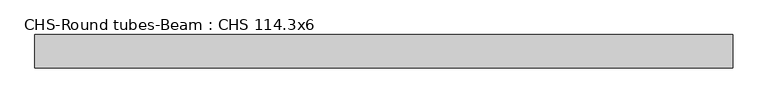
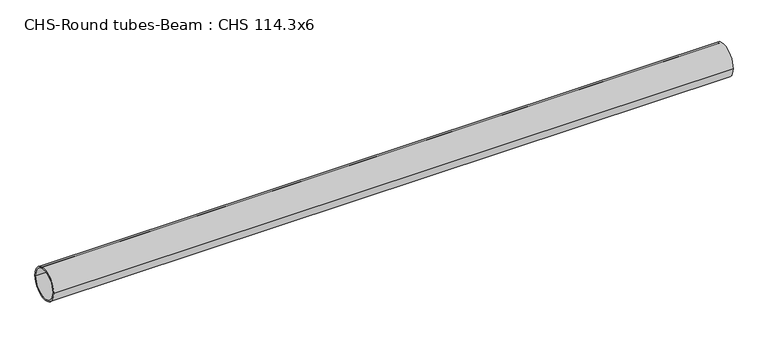
"""IFC4 building model written with IfcOpenShell, lengths in millimetres: beam geometry, CHS-Round tubes-Beam : CHS 114.3x6."""

from ifc_helpers import new_model, si_unit, point, frame, origin, origin_2d, place, context, project, spatial, circle_curve, trimmed, segment, composite_curve, outline, extrude, source, transform, mapped, element, save


def chs_round_tubes_beam_chs_114_3x6_c730448b(model_context):
    return source(origin(), model_context, "Body", "SweptSolid", [
        extrude(outline(composite_curve([segment(trimmed(circle_curve(origin_2d(), 57.15), [point((57.15, 0.0))], [point((-57.15, 0.0))], False, "CARTESIAN"), True, "CONTINUOUS"), segment(trimmed(circle_curve(origin_2d(), 57.15), [point((-57.15, 0.0))], [point((57.15, 0.0))], False, "CARTESIAN"), True, "CONTINUOUS")], self_intersect=False), holes=[composite_curve([segment(trimmed(circle_curve(origin_2d(), 51.15), [point((51.15, 0.0))], [point((-51.15, 0.0))], True, "CARTESIAN"), True, "CONTINUOUS"), segment(trimmed(circle_curve(origin_2d(), 51.15), [point((-51.15, 0.0))], [point((51.15, 0.0))], True, "CARTESIAN"), True, "CONTINUOUS")], self_intersect=False)]), frame((-1186.7559251, 0.0, 0.0), z_axis=(1.0, 0.0, 0.0), x_axis=(0.0, 1.0, 0.0)), (0.0, 0.0, 1.0), 2399.4153413),
    ])


if __name__ == "__main__":
    model = new_model("IFC4")
    model_context = context("Model", 3, world=origin())
    ifc_project = project(units=[si_unit("LENGTHUNIT", "METRE", prefix="MILLI")], contexts=[model_context])
    site = spatial("IfcSite", under=ifc_project)
    building = spatial("IfcBuilding", under=site)
    placement = place(None, origin())
    chs_round_tubes_beam_chs_114_3x6_shape = chs_round_tubes_beam_chs_114_3x6_c730448b(model_context)
    element("IfcBeam", 1, ObjectType="CHS-Round tubes-Beam : CHS 114.3x6", at=placement, inside=building, context=model_context, shape_type="MappedRepresentation", body=[
        mapped(chs_round_tubes_beam_chs_114_3x6_shape, transform((0.0, 0.0, 0.0), x_axis=(1.0, 0.0, 0.0), y_axis=(0.0, 1.0, 0.0), z_axis=(0.0, 0.0, 1.0))),
    ])
    save(model, "model.ifc")
